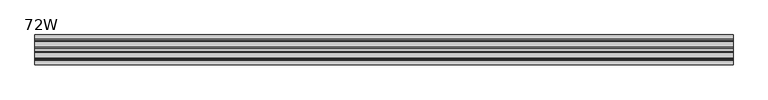
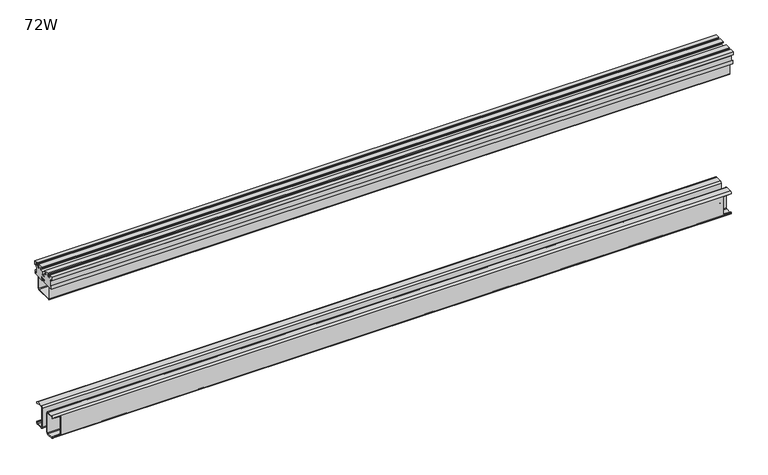
"""IFC4 building model written with IfcOpenShell, lengths in millimetres: furniture geometry, 72W."""

import ifcopenshell
import ifcopenshell.guid

model = None  # the IFC model being written
_history = None  # IfcOwnerHistory: only IFC2X3 demands one
_inside = {}  # id of a spatial element -> (the spatial element, [elements in it])
_under = {}  # id of a project, library or spatial element -> (it, [spatial elements below it])
_declared = {}  # id of a project -> (the project, [libraries it declares])
_typed = {}  # id of a type object -> (the type object, [elements of that type])
_made_of = {}  # id of a material, layer set ... -> (it, [elements and type objects made of it])


def new_model(schema):
    """Start an empty IFC model of exactly this schema.

    Asked for "IFC4X3", IfcOpenShell would pick the latest addendum, in which some entities
    have other attributes; the version numbers below select the first issue.
    IFC2X3 requires an IfcOwnerHistory on every rooted entity: one is made here for all.
    """
    global model, _history
    if schema == "IFC4X3":
        model = ifcopenshell.file(schema_version=(4, 3, 0, 0))
    else:
        model = ifcopenshell.file(schema=schema)
    _inside.clear()
    _under.clear()
    _declared.clear()
    _typed.clear()
    _made_of.clear()
    _history = None
    if model.schema == "IFC2X3":
        org = make("IfcOrganization", Name="unknown")
        user = make(
            "IfcPersonAndOrganization",
            ThePerson=make("IfcPerson", FamilyName="unknown"),
            TheOrganization=org,
        )
        app = make(
            "IfcApplication",
            ApplicationDeveloper=org,
            Version="unknown",
            ApplicationFullName="unknown",
            ApplicationIdentifier="unknown",
        )
        _history = make(
            "IfcOwnerHistory",
            OwningUser=user,
            OwningApplication=app,
            ChangeAction="ADDED",
            CreationDate=0,
        )
    return model


def make(cls, **values):
    """One entity of the class cls with the attributes given. An attribute that is None is left unset."""
    return model.create_entity(
        cls, **{name: value for name, value in values.items() if value is not None}
    )


def rooted(cls, **values):
    """An entity with a GlobalId (a new one), such as an element, a storey or a relation."""
    return make(cls, GlobalId=ifcopenshell.guid.new(), OwnerHistory=_history, **values)


def si_unit(unit_type, name, prefix=None):
    """IfcSIUnit, for example si_unit("LENGTHUNIT", "METRE", prefix="MILLI")."""
    return make("IfcSIUnit", UnitType=unit_type, Prefix=prefix, Name=name)


def assignment(units):
    """IfcUnitAssignment: the units of a project."""
    return None if units is None else make("IfcUnitAssignment", Units=units)


def point(xyz):
    """IfcCartesianPoint."""
    return None if xyz is None else make("IfcCartesianPoint", Coordinates=xyz)


def direction(xyz):
    """IfcDirection."""
    return None if xyz is None else make("IfcDirection", DirectionRatios=xyz)


def frame(location, z_axis=None, x_axis=None):
    """IfcAxis2Placement3D, a coordinate frame: its origin and axes. An axis left out is left unset."""
    return make(
        "IfcAxis2Placement3D",
        Location=point(location),
        Axis=direction(z_axis),
        RefDirection=direction(x_axis),
    )


def frame_2d(location, x_axis=None):
    """IfcAxis2Placement2D, a coordinate frame in the plane: its origin and x axis."""
    return make(
        "IfcAxis2Placement2D", Location=point(location), RefDirection=direction(x_axis)
    )


def origin():
    """The frame at (0, 0, 0) with its axes left unset."""
    return frame((0.0, 0.0, 0.0))


def place(relative_to, where):
    """IfcLocalPlacement: puts the frame where relative to a parent placement (None: the world)."""
    return make(
        "IfcLocalPlacement", PlacementRelTo=relative_to, RelativePlacement=where
    )


def context(
    kind, dimensions, precision=None, world=None, true_north=None, identifier=None
):
    """IfcGeometricRepresentationContext, for example the 3D "Model" context."""
    return make(
        "IfcGeometricRepresentationContext",
        ContextIdentifier=identifier,
        ContextType=kind,
        CoordinateSpaceDimension=dimensions,
        Precision=precision,
        WorldCoordinateSystem=world,
        TrueNorth=true_north,
    )


def project(units=None, contexts=None):
    """IfcProject with its units and contexts."""
    return rooted(
        "IfcProject",
        Name="project",
        RepresentationContexts=contexts,
        UnitsInContext=assignment(units),
    )


def spatial(cls, under=None, at=None, **own):
    """A site, building, storey or space (cls), placed at a placement, below another one or the project."""
    s = rooted(cls, ObjectPlacement=at, **own)
    if under is not None:
        _under.setdefault(under.id(), (under, []))[1].append(s)
    return s


def polyline(points):
    """IfcPolyline through the points."""
    return make("IfcPolyline", Points=[point(p) for p in points])


def circle_curve(where, radius):
    """IfcCircle in the frame where."""
    return make("IfcCircle", Position=where, Radius=radius)


def trimmed(basis, trim1, trim2, sense, master):
    """IfcTrimmedCurve: the piece of a basis curve between two trims."""
    return make(
        "IfcTrimmedCurve",
        BasisCurve=basis,
        Trim1=trim1,
        Trim2=trim2,
        SenseAgreement=sense,
        MasterRepresentation=master,
    )


def segment(curve, same_sense, transition):
    """IfcCompositeCurveSegment."""
    return make(
        "IfcCompositeCurveSegment",
        Transition=transition,
        SameSense=same_sense,
        ParentCurve=curve,
    )


def composite_curve(segments, self_intersect=None):
    """IfcCompositeCurve: segments joined end to end."""
    return make("IfcCompositeCurve", Segments=segments, SelfIntersect=self_intersect)


def outline(outer, holes=None, kind="AREA"):
    """IfcArbitraryClosedProfileDef: a profile drawn as a closed curve; with holes, ...WithVoids."""
    if holes is None:
        return make("IfcArbitraryClosedProfileDef", ProfileType=kind, OuterCurve=outer)
    return make(
        "IfcArbitraryProfileDefWithVoids",
        ProfileType=kind,
        OuterCurve=outer,
        InnerCurves=holes,
    )


def extrude(swept, where, along, depth):
    """IfcExtrudedAreaSolid: the profile swept, set in the frame where, extruded along a direction by depth."""
    return make(
        "IfcExtrudedAreaSolid",
        SweptArea=swept,
        Position=where,
        ExtrudedDirection=direction(along),
        Depth=depth,
    )


def shape(context_of_items, identifier, shape_type, items):
    """IfcShapeRepresentation: the items that make up one representation, for example the "Body"."""
    return make(
        "IfcShapeRepresentation",
        ContextOfItems=context_of_items,
        RepresentationIdentifier=identifier,
        RepresentationType=shape_type,
        Items=items,
    )


def source(mapping_origin, context_of_items, identifier, shape_type, items):
    """IfcRepresentationMap: a shape defined once, which mapped items show again and again."""
    return make(
        "IfcRepresentationMap",
        MappingOrigin=mapping_origin,
        MappedRepresentation=shape(context_of_items, identifier, shape_type, items),
    )


def transform(
    local_origin,
    x_axis=None,
    y_axis=None,
    z_axis=None,
    scale=None,
    scale2=None,
    scale3=None,
    uniform=True,
):
    """IfcCartesianTransformationOperator3D, or its non-uniform kind. x_axis, y_axis, z_axis: its Axis1, 2, 3."""
    if uniform:
        return make(
            "IfcCartesianTransformationOperator3D",
            Axis1=direction(x_axis),
            Axis2=direction(y_axis),
            LocalOrigin=point(local_origin),
            Scale=scale,
            Axis3=direction(z_axis),
        )
    return make(
        "IfcCartesianTransformationOperator3DnonUniform",
        Axis1=direction(x_axis),
        Axis2=direction(y_axis),
        LocalOrigin=point(local_origin),
        Scale=scale,
        Axis3=direction(z_axis),
        Scale2=scale2,
        Scale3=scale3,
    )


def mapped(mapping_source, mapping_target):
    """IfcMappedItem: shows the shape of a source again, moved by a transform."""
    return make(
        "IfcMappedItem", MappingSource=mapping_source, MappingTarget=mapping_target
    )


def made_of(thing, what):
    """Note that an element or type object is made of a material, layer set ...; save() writes the relation."""
    if what is not None:
        _made_of.setdefault(what.id(), (what, []))[1].append(thing)
    return thing


def element(
    cls,
    number,
    at=None,
    inside=None,
    cuts=None,
    type_object=None,
    material=None,
    context=None,
    identifier="Body",
    shape_type=None,
    held_by="IfcProductDefinitionShape",
    body=None,
    shapes=None,
    **own,
):
    """One element of the class cls, such as IfcWall. Its Tag is "e" and its number.

    at: its placement. inside: the storey or other place that contains it. cuts: it is an
    opening in that element (IfcRelVoidsElement). A single representation is given by context,
    identifier, shape_type and body (its items); several are given by shapes. held_by: the class
    of the entity that holds the representations. save() writes the other relations.
    """
    e = rooted(cls, Tag="e%d" % number, ObjectPlacement=at, **own)
    if body is not None:
        shapes = [shape(context, identifier, shape_type, body)]
    if shapes is not None:
        e.Representation = make(held_by, Representations=shapes)
    if inside is not None:
        _inside.setdefault(inside.id(), (inside, []))[1].append(e)
    if cuts is not None:
        rooted(
            "IfcRelVoidsElement", RelatingBuildingElement=cuts, RelatedOpeningElement=e
        )
    if type_object is not None:
        _typed.setdefault(type_object.id(), (type_object, []))[1].append(e)
    return made_of(e, material)


def aggregate(whole, parts):
    """IfcRelAggregates: a whole, such as a stair, and the parts it consists of."""
    return rooted("IfcRelAggregates", RelatingObject=whole, RelatedObjects=parts)


def save(model, path):
    """Write the relations noted so far, then the file.

    IfcRelAggregates (storeys below a building ...), IfcRelContainedInSpatialStructure (elements
    in a storey), IfcRelDefinesByType, IfcRelAssociatesMaterial and IfcRelDeclares: one each for
    every whole, place, type object, material and project.
    """
    for whole, parts in _under.values():
        aggregate(whole, parts)
    for where, things in _inside.values():
        rooted(
            "IfcRelContainedInSpatialStructure",
            RelatedElements=things,
            RelatingStructure=where,
        )
    for kind, things in _typed.values():
        rooted("IfcRelDefinesByType", RelatedObjects=things, RelatingType=kind)
    for what, things in _made_of.values():
        rooted("IfcRelAssociatesMaterial", RelatedObjects=things, RelatingMaterial=what)
    for by, libraries in _declared.values():
        rooted("IfcRelDeclares", RelatingContext=by, RelatedDefinitions=libraries)
    model.write(path)


def plane_surface(at):
    """IfcPlane: the flat surface through the origin of the frame at, square to its z axis."""
    return make("IfcPlane", Position=at)


def cylinder_surface(at, radius):
    """IfcCylindricalSurface: all points at the distance radius from the z axis of the frame at."""
    return make("IfcCylindricalSurface", Position=at, Radius=radius)


def revolved_surface(curve, axis_point, axis_direction):
    """IfcSurfaceOfRevolution: the curve turned about the line through axis_point along axis_direction."""
    return make(
        "IfcSurfaceOfRevolution",
        SweptCurve=make("IfcArbitraryOpenProfileDef", ProfileType="CURVE", Curve=curve),
        AxisPosition=make("IfcAxis1Placement", Location=point(axis_point), Axis=direction(axis_direction)),
    )


def advanced_brep(points, edges, surfaces, faces):
    """IfcAdvancedBrep: a solid bounded by faces that lie on surfaces and meet in shared edges.

    An edge is (start, end): straight between two places in points (the first is 0);
    or (start, end, curve); or (start, end, curve, False) where it runs against its curve.
    A face is (place in surfaces, loops), or (place, loops, False) where it looks against
    its surface's normal. A loop lists edges by number (the first is 1), with a minus sign
    where the edge is run from its end to its start. The first loop is the outer one.
    """
    corners = [point(p) for p in points]
    vertices = [make("IfcVertexPoint", VertexGeometry=c) for c in corners]
    made = []
    for start, end, *more in edges:
        made.append(
            make(
                "IfcEdgeCurve",
                EdgeStart=vertices[start],
                EdgeEnd=vertices[end],
                EdgeGeometry=more[0] if more else make("IfcPolyline", Points=[corners[start], corners[end]]),
                SameSense=more[1] if len(more) > 1 else True,
            )
        )
    hull = []
    for where, loops, *sense in faces:
        bounds = []
        for j, loop in enumerate(loops):
            ring = [make("IfcOrientedEdge", EdgeElement=made[abs(k) - 1], Orientation=k > 0) for k in loop]
            bounds.append(
                make(
                    "IfcFaceOuterBound" if j == 0 else "IfcFaceBound",
                    Bound=make("IfcEdgeLoop", EdgeList=ring),
                    Orientation=True,
                )
            )
        hull.append(make("IfcAdvancedFace", Bounds=bounds, FaceSurface=surfaces[where], SameSense=sense[0] if sense else True))
    return make("IfcAdvancedBrep", Outer=make("IfcClosedShell", CfsFaces=hull))


def furniture_72w_7dcdaa26(model_context):
    return source(origin(), model_context, "Body", "SolidModel", [
        advanced_brep(
        [(1825.371014, -27.8809276, 104.5245283), (1825.371014, -23.4832817, 100.1268008), (1825.371014, -6.4768839, 100.1268008), (1825.371014, -2.1590002, 104.4701122), (1825.371014, -2.1590002, 106.0683077), (1825.371014, -4.2670815, 106.0683077), (1825.371014, -4.2670815, 103.9352255), (1825.371014, -6.4770001, 102.2350024), (1825.371014, -24.0483936, 102.2779322), (1825.371014, -25.77171, 104.4447967), (1825.371014, -25.77171, 159.0541147), (1825.371014, -23.2907511, 161.5165623), (1825.371014, -5.7270033, 161.3874238), (1825.371014, -4.2670815, 159.1422046), (1825.371014, -4.2670815, 157.6578004), (1825.371014, -2.1590002, 157.6578004), (1825.371014, -2.1590002, 158.9956712), (1825.371014, -6.7901329, 163.6268038), (1825.371014, -23.6397265, 163.6268038), (1825.371014, -27.8799102, 159.3866988), (3.429014, -25.77171, 159.0541147), (3.429014, -25.77171, 104.4447967), (3.429014, -24.0483936, 102.2779322), (3.429014, -6.4770001, 102.2350024), (3.429014, -4.2670815, 103.9352255), (3.429014, -4.2670815, 106.0683077), (3.429014, -2.1590002, 106.0683077), (3.429014, -2.1590002, 104.4701122), (3.429014, -6.4768839, 100.1268008), (3.429014, -23.4832817, 100.1268008), (3.429014, -27.8809276, 104.5245283), (3.429014, -27.8799102, 159.3866988), (3.429014, -23.6397265, 163.6268038), (3.429014, -6.7901329, 163.6268038), (3.429014, -2.1590002, 158.9956712), (3.429014, -2.1590002, 157.6578004), (3.429014, -4.2670815, 157.6578004), (3.429014, -4.2670815, 159.1422046), (3.429014, -5.7270033, 161.3874238), (3.429014, -23.2907511, 161.5165623), (1803.7809671, -4.2670815, 106.0683077), (1803.7809671, -4.2670815, 157.6578004), (25.0190079, -4.2670815, 157.6578004), (25.0190079, -4.2670815, 106.0683077), (25.0190079, -2.1590002, 106.0683077), (25.0190079, -2.1590002, 157.6578004), (1803.7809671, -2.1590002, 157.6578004), (1803.7809671, -2.1590002, 106.0683077)],
        [
            (0, 1, circle_curve(frame((1825.371014, -23.4832817, 104.5244467), z_axis=(1.0, 0.0, 0.0), x_axis=(0.0, 1.0, 0.0)), 4.3976459)),
            (1, 2),
            (2, 3, circle_curve(frame((1825.371014, -6.4768839, 104.4447589), z_axis=(1.0, 0.0, 0.0), x_axis=(0.0, 1.0, 0.0)), 4.3179581)),
            (3, 4),
            (4, 5),
            (5, 6),
            (6, 7),
            (7, 8),
            (8, 9),
            (9, 10),
            (10, 11, circle_curve(frame((1825.371014, -23.3091933, 159.0541147), z_axis=(-1.0, 0.0, 0.0), x_axis=(0.0, 1.0, 0.0)), 2.4625166)),
            (11, 12),
            (12, 13),
            (13, 14),
            (14, 15),
            (15, 16),
            (16, 17, circle_curve(frame((1825.371014, -6.7901329, 158.9956712), z_axis=(1.0, 0.0, 0.0), x_axis=(0.0, 1.0, 0.0)), 4.6311327)),
            (17, 18),
            (18, 19, circle_curve(frame((1825.371014, -23.6397265, 159.3866201), z_axis=(1.0, 0.0, 0.0), x_axis=(0.0, 1.0, 0.0)), 4.2401837)),
            (19, 0),
            (20, 21),
            (21, 22),
            (22, 23),
            (23, 24),
            (24, 25),
            (25, 26),
            (26, 27),
            (27, 28, circle_curve(frame((3.429014, -6.4768839, 104.4447589), z_axis=(-1.0, 0.0, 0.0), x_axis=(0.0, 1.0, 0.0)), 4.3179581)),
            (28, 29),
            (29, 30, circle_curve(frame((3.429014, -23.4832817, 104.5244467), z_axis=(-1.0, 0.0, 0.0), x_axis=(0.0, 1.0, 0.0)), 4.3976459)),
            (30, 31),
            (31, 32, circle_curve(frame((3.429014, -23.6397265, 159.3866201), z_axis=(-1.0, 0.0, 0.0), x_axis=(0.0, 1.0, 0.0)), 4.2401837)),
            (32, 33),
            (33, 34, circle_curve(frame((3.429014, -6.7901329, 158.9956712), z_axis=(-1.0, 0.0, 0.0), x_axis=(0.0, 1.0, 0.0)), 4.6311327)),
            (34, 35),
            (35, 36),
            (36, 37),
            (37, 38),
            (38, 39),
            (39, 20, circle_curve(frame((3.429014, -23.3091933, 159.0541147), z_axis=(1.0, 0.0, 0.0), x_axis=(0.0, 1.0, 0.0)), 2.4625166)),
            (0, 30),
            (29, 1),
            (28, 2),
            (27, 3),
            (6, 24),
            (23, 7),
            (22, 8),
            (21, 9),
            (20, 10),
            (39, 11),
            (38, 12),
            (37, 13),
            (5, 40),
            (40, 41),
            (41, 14),
            (36, 42),
            (42, 43),
            (43, 25),
            (26, 44),
            (44, 45),
            (45, 35),
            (34, 16),
            (15, 46),
            (46, 47),
            (47, 4),
            (33, 17),
            (32, 18),
            (31, 19),
            (42, 45),
            (44, 43),
            (40, 47),
            (46, 41),
        ],
        [
            plane_surface(frame((1825.371014, -19.0856357, 104.5244467), z_axis=(1.0, 0.0, 0.0), x_axis=(0.0, 0.0, 1.0))),
            plane_surface(frame((3.429014, -19.0856357, 104.5244467), z_axis=(-1.0, 0.0, 0.0), x_axis=(0.0, 0.0, -1.0))),
            cylinder_surface(frame((3.429014, -23.4832817, 104.5244467), z_axis=(1.0, 0.0, 0.0), x_axis=(0.0, 1.0, 0.0)), 4.3976459),
            plane_surface(frame((1825.371014, -23.4832817, 100.1268008), z_axis=(0.0, 0.0, -1.0), x_axis=(-1.0, 0.0, 0.0))),
            cylinder_surface(frame((3.429014, -6.4768839, 104.4447589), z_axis=(1.0, 0.0, 0.0), x_axis=(0.0, 1.0, 0.0)), 4.3179581),
            plane_surface(frame((1825.371014, -4.2670815, 103.9352255), z_axis=(0.0, -0.6097751311358175, 0.7925744693391887), x_axis=(-1.0, 0.0, 0.0))),
            plane_surface(frame((1825.371014, -6.4770001, 102.2350024), z_axis=(0.0, 0.002443156500791605, 0.9999970154887027), x_axis=(-1.0, 0.0, 0.0))),
            plane_surface(frame((1825.371014, -24.0483936, 102.2779322), z_axis=(0.0, 0.7826583774473511, 0.6224514954689078), x_axis=(-1.0, 0.0, 0.0))),
            plane_surface(frame((1825.371014, -25.77171, 104.4447967), z_axis=(0.0, 1.0, 0.0), x_axis=(-1.0, 0.0, 0.0))),
            revolved_surface(polyline([(3.429014, -20.8466767, 159.0541147), (1825.371014, -20.8466767, 159.0541147)]), (0.0, -23.3091933, 159.0541147), (-1.0, 0.0, 0.0)),
            plane_surface(frame((1825.371014, -23.2907511, 161.5165623), z_axis=(0.0, -0.007352360310029851, -0.9999729710336532), x_axis=(-1.0, 0.0, 0.0))),
            plane_surface(frame((1825.371014, -5.7270033, 161.3874238), z_axis=(0.0, -0.8383532943011937, -0.5451272823243543), x_axis=(-1.0, 0.0, 0.0))),
            plane_surface(frame((1825.371014, -4.2670815, 159.1422046), z_axis=(0.0, -1.0, 0.0), x_axis=(-1.0, 0.0, 0.0))),
            plane_surface(frame((1825.371014, -2.1590002, 104.4701122), z_axis=(0.0, 1.0, 0.0), x_axis=(-1.0, 0.0, 0.0))),
            cylinder_surface(frame((3.429014, -6.7901329, 158.9956712), z_axis=(1.0, 0.0, 0.0), x_axis=(0.0, 1.0, 0.0)), 4.6311327),
            plane_surface(frame((1825.371014, -6.7901329, 163.6268038), z_axis=(0.0, 0.0, 1.0), x_axis=(-1.0, 0.0, 0.0))),
            cylinder_surface(frame((3.429014, -23.6397265, 159.3866201), z_axis=(1.0, 0.0, 0.0), x_axis=(0.0, 1.0, 0.0)), 4.2401837),
            plane_surface(frame((1825.371014, -27.8799102, 159.3866988), z_axis=(0.0, -0.9999999998280449, 1.8544818383297037e-05), x_axis=(-1.0, 0.0, 0.0))),
            plane_surface(frame((25.0190079, 0.9985523, 157.6578004), z_axis=(-1.0, 0.0, 0.0), x_axis=(0.0, -1.0, 0.0))),
            plane_surface(frame((1.52399, 0.9985523, 157.6578004), z_axis=(0.0, 0.0, -1.0), x_axis=(0.0, -1.0, 0.0))),
            plane_surface(frame((25.0190079, 0.9985523, 106.0683077), z_axis=(0.0, 0.0, 1.0), x_axis=(0.0, -1.0, 0.0))),
            plane_surface(frame((1803.7809671, 1.7160013, 106.0683077), z_axis=(1.0, 0.0, 0.0), x_axis=(0.0, -1.0, 0.0))),
            plane_surface(frame((1803.7809671, 1.7160013, 157.6578004), z_axis=(0.0, 0.0, -1.0), x_axis=(0.0, -1.0, 0.0))),
            plane_surface(frame((1827.275985, 1.7160013, 106.0683077), z_axis=(0.0, 0.0, 1.0), x_axis=(0.0, -1.0, 0.0))),
        ],
        [
            (0, [[1, 2, 3, 4, 5, 6, 7, 8, 9, 10, 11, 12, 13, 14, 15, 16, 17, 18, 19, 20]]),
            (1, [[21, 22, 23, 24, 25, 26, 27, 28, 29, 30, 31, 32, 33, 34, 35, 36, 37, 38, 39, 40]]),
            (2, [[-1, 41, -30, 42]]),
            (3, [[-2, -42, -29, 43]]),
            (4, [[-3, -43, -28, 44]]),
            (5, [[-7, 45, -24, 46]]),
            (6, [[-8, -46, -23, 47]]),
            (7, [[-9, -47, -22, 48]]),
            (8, [[-10, -48, -21, 49]]),
            (9, [[-11, -49, -40, 50]]),
            (10, [[-12, -50, -39, 51]]),
            (11, [[-13, -51, -38, 52]]),
            (12, [[-45, -6, 53, 54, 55, -14, -52, -37, 56, 57, 58, -25]]),
            (13, [[-44, -27, 59, 60, 61, -35, 62, -16, 63, 64, 65, -4]]),
            (14, [[-17, -62, -34, 66]]),
            (15, [[-18, -66, -33, 67]]),
            (16, [[-19, -67, -32, 68]]),
            (17, [[-20, -68, -31, -41]]),
            (18, [[69, -60, 70, -57]]),
            (19, [[-69, -56, -36, -61]]),
            (20, [[-70, -59, -26, -58]]),
            (21, [[71, -64, 72, -54]]),
            (22, [[-72, -63, -15, -55]]),
            (23, [[-71, -53, -5, -65]]),
        ],
    ),
        advanced_brep(
        [(1825.371014, -50.2308925, 104.5245283), (1825.371014, -50.2319099, 159.3866988), (1825.371014, -54.4720936, 163.6268038), (1825.371014, -71.0007766, 163.6268038), (1825.371014, -75.6319092, 158.9956712), (1825.371014, -75.6319092, 157.6578004), (1825.371014, -73.5238279, 157.6578004), (1825.371014, -73.5238279, 159.1422046), (1825.371014, -72.0639062, 161.3874238), (1825.371014, -54.821069, 161.5165623), (1825.371014, -52.3401101, 159.0541147), (1825.371014, -52.3401101, 104.4447967), (1825.371014, -54.0634265, 102.2779322), (1825.371014, -71.3139094, 102.2350024), (1825.371014, -73.5238279, 103.9352255), (1825.371014, -73.5238279, 106.0683077), (1825.371014, -75.6319092, 106.0683077), (1825.371014, -75.6319092, 104.4701122), (1825.371014, -71.3140255, 100.1268008), (1825.371014, -54.6285384, 100.1268008), (3.429014, -52.3401101, 159.0541147), (3.429014, -54.821069, 161.5165623), (3.429014, -72.0639062, 161.3874238), (3.429014, -73.5238279, 159.1422046), (3.429014, -73.5238279, 157.6578004), (3.429014, -75.6319092, 157.6578004), (3.429014, -75.6319092, 158.9956712), (3.429014, -71.0007766, 163.6268038), (3.429014, -54.4720936, 163.6268038), (3.429014, -50.2319099, 159.3866988), (3.429014, -50.2308925, 104.5245283), (3.429014, -54.6285384, 100.1268008), (3.429014, -71.3140255, 100.1268008), (3.429014, -75.6319092, 104.4701122), (3.429014, -75.6319092, 106.0683077), (3.429014, -73.5238279, 106.0683077), (3.429014, -73.5238279, 103.9352255), (3.429014, -71.3139094, 102.2350024), (3.429014, -54.0634265, 102.2779322), (3.429014, -52.3401101, 104.4447967), (25.0190079, -75.6319092, 157.6578004), (25.0190079, -75.6319092, 106.0683077), (1803.7809671, -75.6319092, 106.0683077), (1803.7809671, -75.6319092, 157.6578004), (25.0190079, -73.5238279, 106.0683077), (25.0190079, -73.5238279, 157.6578004), (1803.7809671, -73.5238279, 157.6578004), (1803.7809671, -73.5238279, 106.0683077)],
        [
            (0, 1),
            (1, 2, circle_curve(frame((1825.371014, -54.4720936, 159.3866201), z_axis=(1.0, 0.0, 0.0), x_axis=(0.0, 1.0, 0.0)), 4.2401837)),
            (2, 3),
            (3, 4, circle_curve(frame((1825.371014, -71.0007766, 158.9956712), z_axis=(1.0, 0.0, 0.0), x_axis=(0.0, 1.0, 0.0)), 4.6311327)),
            (4, 5),
            (5, 6),
            (6, 7),
            (7, 8),
            (8, 9),
            (9, 10, circle_curve(frame((1825.371014, -54.8026267, 159.0541147), z_axis=(-1.0, 0.0, 0.0), x_axis=(0.0, 1.0, 0.0)), 2.4625166)),
            (10, 11),
            (11, 12),
            (12, 13),
            (13, 14),
            (14, 15),
            (15, 16),
            (16, 17),
            (17, 18, circle_curve(frame((1825.371014, -71.3140255, 104.4447589), z_axis=(1.0, 0.0, 0.0), x_axis=(0.0, 1.0, 0.0)), 4.3179581)),
            (18, 19),
            (19, 0, circle_curve(frame((1825.371014, -54.6285384, 104.5244467), z_axis=(1.0, 0.0, 0.0), x_axis=(0.0, 1.0, 0.0)), 4.3976459)),
            (20, 21, circle_curve(frame((3.429014, -54.8026267, 159.0541147), z_axis=(1.0, 0.0, 0.0), x_axis=(0.0, 1.0, 0.0)), 2.4625166)),
            (21, 22),
            (22, 23),
            (23, 24),
            (24, 25),
            (25, 26),
            (26, 27, circle_curve(frame((3.429014, -71.0007766, 158.9956712), z_axis=(-1.0, 0.0, 0.0), x_axis=(0.0, 1.0, 0.0)), 4.6311327)),
            (27, 28),
            (28, 29, circle_curve(frame((3.429014, -54.4720936, 159.3866201), z_axis=(-1.0, 0.0, 0.0), x_axis=(0.0, 1.0, 0.0)), 4.2401837)),
            (29, 30),
            (30, 31, circle_curve(frame((3.429014, -54.6285384, 104.5244467), z_axis=(-1.0, 0.0, 0.0), x_axis=(0.0, 1.0, 0.0)), 4.3976459)),
            (31, 32),
            (32, 33, circle_curve(frame((3.429014, -71.3140255, 104.4447589), z_axis=(-1.0, 0.0, 0.0), x_axis=(0.0, 1.0, 0.0)), 4.3179581)),
            (33, 34),
            (34, 35),
            (35, 36),
            (36, 37),
            (37, 38),
            (38, 39),
            (39, 20),
            (0, 30),
            (29, 1),
            (28, 2),
            (27, 3),
            (26, 4),
            (25, 40),
            (40, 41),
            (41, 34),
            (33, 17),
            (16, 42),
            (42, 43),
            (43, 5),
            (14, 36),
            (35, 44),
            (44, 45),
            (45, 24),
            (23, 7),
            (6, 46),
            (46, 47),
            (47, 15),
            (22, 8),
            (21, 9),
            (20, 10),
            (39, 11),
            (38, 12),
            (37, 13),
            (32, 18),
            (31, 19),
            (44, 41),
            (40, 45),
            (46, 43),
            (42, 47),
        ],
        [
            plane_surface(frame((1825.371014, -19.0856357, 104.5244467), z_axis=(1.0, 0.0, 0.0), x_axis=(0.0, 0.0, 1.0))),
            plane_surface(frame((3.429014, -19.0856357, 104.5244467), z_axis=(-1.0, 0.0, 0.0), x_axis=(0.0, 0.0, -1.0))),
            plane_surface(frame((1825.371014, -50.2308925, 104.5245283), z_axis=(0.0, 0.9999999998280449, 1.8544818383528328e-05), x_axis=(-1.0, 0.0, 0.0))),
            cylinder_surface(frame((0.0, -54.4720936, 159.3866201), z_axis=(1.0, 0.0, 0.0), x_axis=(0.0, 1.0, 0.0)), 4.2401837),
            plane_surface(frame((1825.371014, -54.4720936, 163.6268038), z_axis=(0.0, 0.0, 1.0), x_axis=(-1.0, 0.0, 0.0))),
            cylinder_surface(frame((0.0, -71.0007766, 158.9956712), z_axis=(1.0, 0.0, 0.0), x_axis=(0.0, 1.0, 0.0)), 4.6311327),
            plane_surface(frame((1825.371014, -75.6319092, 158.9956712), z_axis=(0.0, -1.0, 0.0), x_axis=(-1.0, 0.0, 0.0))),
            plane_surface(frame((1825.371014, -73.5238279, 103.9352255), z_axis=(0.0, 1.0, 0.0), x_axis=(-1.0, 0.0, 0.0))),
            plane_surface(frame((1825.371014, -73.5238279, 159.1422046), z_axis=(0.0, 0.8383532943007096, -0.5451272823250989), x_axis=(-1.0, 0.0, 0.0))),
            plane_surface(frame((1825.371014, -72.0639062, 161.3874238), z_axis=(0.0, 0.007489189274746193, -0.9999719556287602), x_axis=(-1.0, 0.0, 0.0))),
            revolved_surface(polyline([(3.429014, -52.3401101, 159.0541147), (1825.371014, -52.3401101, 159.0541147)]), (0.0, -54.8026267, 159.0541147), (-1.0, 0.0, 0.0)),
            plane_surface(frame((1825.371014, -52.3401101, 159.0541147), z_axis=(0.0, -1.0, 0.0), x_axis=(-1.0, 0.0, 0.0))),
            plane_surface(frame((1825.371014, -52.3401101, 104.4447967), z_axis=(0.0, -0.7826583774473481, 0.6224514954689115), x_axis=(-1.0, 0.0, 0.0))),
            plane_surface(frame((1825.371014, -54.0634265, 102.2779322), z_axis=(0.0, -0.0024886062497596856, 0.9999969034146724), x_axis=(-1.0, 0.0, 0.0))),
            plane_surface(frame((1825.371014, -71.3139094, 102.2350024), z_axis=(0.0, 0.6097751311358169, 0.7925744693391892), x_axis=(-1.0, 0.0, 0.0))),
            cylinder_surface(frame((0.0, -71.3140255, 104.4447589), z_axis=(1.0, 0.0, 0.0), x_axis=(0.0, 1.0, 0.0)), 4.3179581),
            plane_surface(frame((1825.371014, -71.3140255, 100.1268008), z_axis=(0.0, 0.0, -1.0), x_axis=(-1.0, 0.0, 0.0))),
            cylinder_surface(frame((0.0, -54.6285384, 104.5244467), z_axis=(1.0, 0.0, 0.0), x_axis=(0.0, 1.0, 0.0)), 4.3976459),
            plane_surface(frame((25.0190079, -78.540543, 106.0683077), z_axis=(-1.0, 0.0, 0.0), x_axis=(0.0, 1.0, 0.0))),
            plane_surface(frame((25.0190079, -78.540543, 157.6578004), z_axis=(0.0, 0.0, -1.0), x_axis=(0.0, 1.0, 0.0))),
            plane_surface(frame((1.52399, -78.540543, 106.0683077), z_axis=(0.0, 0.0, 1.0), x_axis=(0.0, 1.0, 0.0))),
            plane_surface(frame((1803.7809671, -78.540543, 157.6578004), z_axis=(1.0, 0.0, 0.0), x_axis=(0.0, 1.0, 0.0))),
            plane_surface(frame((1827.275985, -78.540543, 157.6578004), z_axis=(0.0, 0.0, -1.0), x_axis=(0.0, 1.0, 0.0))),
            plane_surface(frame((1803.7809671, -78.540543, 106.0683077), z_axis=(0.0, 0.0, 1.0), x_axis=(0.0, 1.0, 0.0))),
        ],
        [
            (0, [[1, 2, 3, 4, 5, 6, 7, 8, 9, 10, 11, 12, 13, 14, 15, 16, 17, 18, 19, 20]]),
            (1, [[21, 22, 23, 24, 25, 26, 27, 28, 29, 30, 31, 32, 33, 34, 35, 36, 37, 38, 39, 40]]),
            (2, [[-1, 41, -30, 42]]),
            (3, [[-2, -42, -29, 43]]),
            (4, [[-3, -43, -28, 44]]),
            (5, [[-4, -44, -27, 45]]),
            (6, [[-45, -26, 46, 47, 48, -34, 49, -17, 50, 51, 52, -5]]),
            (7, [[53, -36, 54, 55, 56, -24, 57, -7, 58, 59, 60, -15]]),
            (8, [[-8, -57, -23, 61]]),
            (9, [[-9, -61, -22, 62]]),
            (10, [[-10, -62, -21, 63]]),
            (11, [[-11, -63, -40, 64]]),
            (12, [[-12, -64, -39, 65]]),
            (13, [[-13, -65, -38, 66]]),
            (14, [[-14, -66, -37, -53]]),
            (15, [[-18, -49, -33, 67]]),
            (16, [[-19, -67, -32, 68]]),
            (17, [[-20, -68, -31, -41]]),
            (18, [[69, -47, 70, -55]]),
            (19, [[-70, -46, -25, -56]]),
            (20, [[-69, -54, -35, -48]]),
            (21, [[71, -51, 72, -59]]),
            (22, [[-71, -58, -6, -52]]),
            (23, [[-72, -50, -16, -60]]),
        ],
    ),
        extrude(outline(composite_curve([segment(polyline([(-60.5739048, 526.3388031), (-17.1450111, 526.3388031)]), True, "CONTINUOUS"), segment(trimmed(circle_curve(frame_2d((-17.1450111, 522.5288031)), 3.81), [point((-17.1450111, 526.3388031))], [point((-13.3350217, 522.5198041))], False, "CARTESIAN"), True, "CONTINUOUS"), segment(polyline([(-13.3350217, 522.5198041), (-13.4070141, 492.0398041)]), True, "CONTINUOUS"), segment(trimmed(circle_curve(frame_2d((-17.2170034, 492.0488031)), 3.81), [point((-13.4070141, 492.0398041))], [point((-17.2170034, 488.2388031))], False, "CARTESIAN"), True, "CONTINUOUS"), segment(polyline([(-17.2170034, 488.2388031), (-60.6458979, 488.2388031)]), True, "CONTINUOUS"), segment(trimmed(circle_curve(frame_2d((-60.6458979, 492.0488031)), 3.81), [point((-60.6458979, 488.2388031))], [point((-64.4558873, 492.0578022))], False, "CARTESIAN"), True, "CONTINUOUS"), segment(polyline([(-64.4558873, 492.0578022), (-64.3838942, 522.5378022)]), True, "CONTINUOUS"), segment(trimmed(circle_curve(frame_2d((-60.5739048, 522.5288031)), 3.81), [point((-64.3838942, 522.5378022))], [point((-60.5739048, 526.3388031))], False, "CARTESIAN"), True, "CONTINUOUS")], self_intersect=False), holes=[composite_curve([segment(polyline([(-17.1450111, 524.3068031), (-60.5739048, 524.3068031)]), True, "CONTINUOUS"), segment(trimmed(circle_curve(frame_2d((-60.5739048, 522.5288031)), 1.778), [point((-60.5739048, 524.3068031))], [point((-62.3518998, 522.5330027))], True, "CARTESIAN"), True, "CONTINUOUS"), segment(polyline([(-62.3518998, 522.5330027), (-62.423893, 492.0530027)]), True, "CONTINUOUS"), segment(trimmed(circle_curve(frame_2d((-60.6458979, 492.0488031)), 1.778), [point((-62.423893, 492.0530027))], [point((-60.6458979, 490.2708031))], True, "CARTESIAN"), True, "CONTINUOUS"), segment(polyline([(-60.6458979, 490.2708031), (-17.2170034, 490.2708031)]), True, "CONTINUOUS"), segment(trimmed(circle_curve(frame_2d((-17.2170034, 492.0488031)), 1.778), [point((-17.2170034, 490.2708031))], [point((-15.4390084, 492.0446036))], True, "CARTESIAN"), True, "CONTINUOUS"), segment(polyline([(-15.4390084, 492.0446036), (-15.367016, 522.5246036)]), True, "CONTINUOUS"), segment(trimmed(circle_curve(frame_2d((-17.1450111, 522.5288031)), 1.778), [point((-15.367016, 522.5246036))], [point((-17.1450111, 524.3068031))], True, "CARTESIAN"), True, "CONTINUOUS")], self_intersect=False)]), frame((1.52399, 0.0, 0.0), z_axis=(1.0, 0.0, 0.0), x_axis=(0.0, 1.0, 0.0)), (0.0, 0.0, 1.0), 1825.7519949),
        extrude(outline(polyline([(-18.1517104, 559.688984), (-21.1489112, 559.688984), (-21.1489112, 554.8630068), (-18.1517104, 554.8630068), (-18.1517104, 551.8150097), (-10.1761106, 551.8150097), (-10.1761106, 554.8630068), (-7.1789109, 554.8630068), (-7.1789109, 559.688984), (-10.1761106, 559.688984), (-10.1761106, 561.975), (0.0, 561.975), (0.0, 552.1959821), (-3.8100001, 552.1959821), (-7.6200001, 545.5968936), (-7.6200001, 530.6568172), (-4.9465986, 530.6568172), (-1.3969999, 536.8048755), (-1.3969999, 526.3388031), (-34.9284117, 526.3388031), (-34.9284117, 529.3868002), (-32.4519095, 529.3868002), (-32.4519095, 535.2288128), (-45.6599128, 535.2288128), (-45.6599128, 529.3868002), (-43.1834106, 529.3868002), (-43.1834106, 526.3388031), (-76.3939095, 526.3388031), (-76.3939095, 536.8048755), (-72.8443108, 530.6568172), (-70.1709093, 530.6568172), (-70.1709093, 545.5968936), (-73.9809094, 552.1959821), (-77.7909094, 552.1959821), (-77.7909094, 561.975), (-67.9357095, 561.975), (-67.9357095, 559.688984), (-70.9329092, 559.688984), (-70.9329092, 554.8630068), (-67.9357095, 554.8630068), (-67.9357095, 551.8150097), (-59.9601096, 551.8150097), (-59.9601096, 554.8630068), (-56.9629089, 554.8630068), (-56.9629089, 559.688984), (-59.9601096, 559.688984), (-59.9601096, 561.975), (-46.6759096, 561.975), (-46.6759096, 558.9270029), (-53.1529102, 558.9270029), (-53.1529102, 551.0529922), (-43.81841, 551.0529922), (-43.81841, 543.1790179), (-34.29341, 543.1790179), (-34.29341, 551.0529922), (-24.9589099, 551.0529922), (-24.9589099, 558.9270029), (-31.4359105, 558.9270029), (-31.4359105, 561.975), (-18.1517104, 561.975), (-18.1517104, 559.688984)])), frame((0.0, 0.0, 0.0), z_axis=(1.0, 0.0, 0.0), x_axis=(0.0, 1.0, 0.0)), (0.0, 0.0, 1.0), 1828.8),
    ])


if __name__ == "__main__":
    model = new_model("IFC4")
    model_context = context("Model", 3, world=origin())
    ifc_project = project(units=[si_unit("LENGTHUNIT", "METRE", prefix="MILLI")], contexts=[model_context])
    site = spatial("IfcSite", under=ifc_project)
    building = spatial("IfcBuilding", under=site)
    placement = place(None, origin())
    furniture_72w_shape = furniture_72w_7dcdaa26(model_context)
    element("IfcFurniture", 1, ObjectType="72W", at=placement, inside=building, context=model_context, shape_type="MappedRepresentation", body=[
        mapped(furniture_72w_shape, transform((0.0, 0.0, 0.0), x_axis=(1.0, 0.0, 0.0), y_axis=(0.0, 1.0, 0.0), z_axis=(0.0, 0.0, 1.0))),
    ])
    save(model, "model.ifc")
